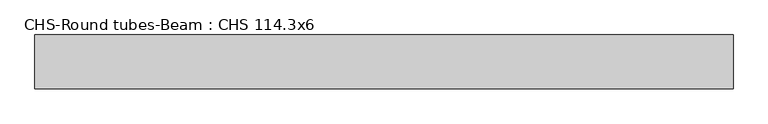
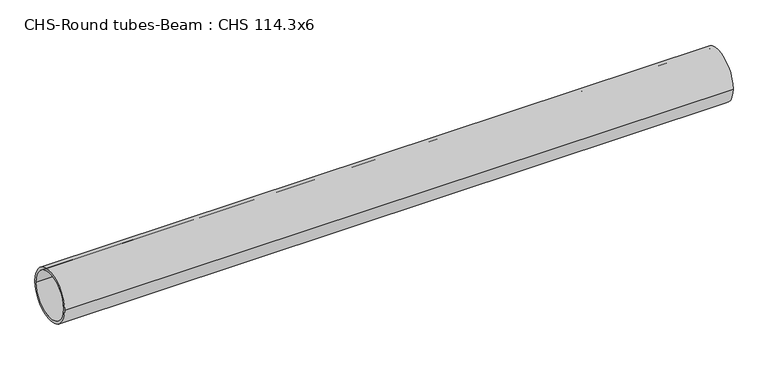
"""IFC4 building model written with IfcOpenShell, lengths in millimetres: beam geometry, CHS-Round tubes-Beam : CHS 114.3x6."""

from ifc_helpers import new_model, si_unit, point, frame, origin, origin_2d, place, context, project, spatial, circle_curve, trimmed, segment, composite_curve, outline, extrude, source, transform, mapped, element, save


def chs_round_tubes_beam_chs_114_3x6_7e0d7e5e(model_context):
    return source(origin(), model_context, "Body", "SweptSolid", [
        extrude(outline(composite_curve([segment(trimmed(circle_curve(origin_2d(), 57.15), [point((57.15, 0.0))], [point((-57.15, 0.0))], False, "CARTESIAN"), True, "CONTINUOUS"), segment(trimmed(circle_curve(origin_2d(), 57.15), [point((-57.15, 0.0))], [point((57.15, 0.0))], False, "CARTESIAN"), True, "CONTINUOUS")], self_intersect=False), holes=[composite_curve([segment(trimmed(circle_curve(origin_2d(), 51.15), [point((51.15, 0.0))], [point((-51.15, 0.0))], True, "CARTESIAN"), True, "CONTINUOUS"), segment(trimmed(circle_curve(origin_2d(), 51.15), [point((-51.15, 0.0))], [point((51.15, 0.0))], True, "CARTESIAN"), True, "CONTINUOUS")], self_intersect=False)]), frame((-700.9438624, 0.0, 0.0), z_axis=(1.0, 0.0, 0.0), x_axis=(0.0, 1.0, 0.0)), (0.0, 0.0, 1.0), 1477.7381889),
    ])


if __name__ == "__main__":
    model = new_model("IFC4")
    model_context = context("Model", 3, world=origin())
    ifc_project = project(units=[si_unit("LENGTHUNIT", "METRE", prefix="MILLI")], contexts=[model_context])
    site = spatial("IfcSite", under=ifc_project)
    building = spatial("IfcBuilding", under=site)
    placement = place(None, origin())
    chs_round_tubes_beam_chs_114_3x6_shape = chs_round_tubes_beam_chs_114_3x6_7e0d7e5e(model_context)
    element("IfcBeam", 1, ObjectType="CHS-Round tubes-Beam : CHS 114.3x6", at=placement, inside=building, context=model_context, shape_type="MappedRepresentation", body=[
        mapped(chs_round_tubes_beam_chs_114_3x6_shape, transform((0.0, 0.0, 0.0), x_axis=(1.0, 0.0, 0.0), y_axis=(0.0, 1.0, 0.0), z_axis=(0.0, 0.0, 1.0))),
    ])
    save(model, "model.ifc")
